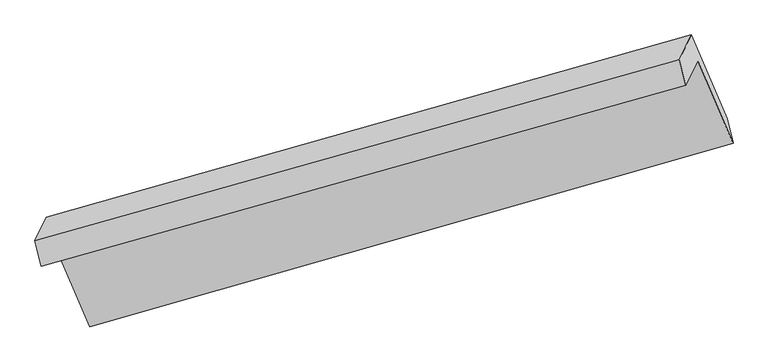
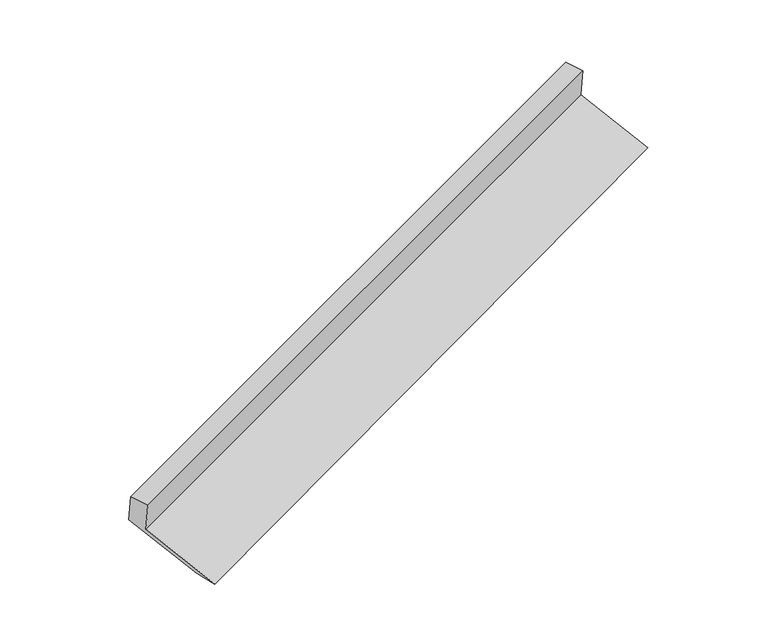
"""IFC4 building model written with IfcOpenShell, lengths in millimetres: proxy geometry."""

from ifc_helpers import new_model, si_unit, frame, origin, place, context, project, spatial, source, transform, mapped, element, save
from ifc_brep_helpers import plane_surface, spline_surface, advanced_brep


def generic_models_14c1a3b7(model_context):
    return source(origin(), model_context, "Body", "AdvancedBrep", [
        advanced_brep(
        [(-5182.8535449, -2134.6014466, 1431.0330659), (-5101.6913481, -1964.4889317, 1084.6976287), (-684.0442653, -723.5673054, 2695.3130341), (-765.2064621, -893.6798204, 3041.6484713), (-5227.8369865, -1959.8556804, 1419.1711717), (-810.1899038, -718.9340542, 3029.7865771), (-5150.3928657, -1797.5360947, 1088.7015134), (-728.6290265, -547.9859219, 2681.7498901), (-4904.7474619, -2370.6797167, 864.7516254), (-482.9836227, -1121.1295439, 2457.8000021), (-4851.9438723, -2547.2035711, 857.0079655), (-441.7118023, -1288.9811233, 2474.3834864)],
        [
            (0, 1),
            (1, 2),
            (2, 3),
            (3, 0),
            (4, 0),
            (3, 5),
            (5, 4),
            (6, 4),
            (5, 7),
            (7, 6),
            (8, 6),
            (7, 9),
            (9, 8),
            (10, 8),
            (9, 11),
            (11, 10),
            (1, 10),
            (11, 2),
        ],
        [
            plane_surface(frame((-5142.2724465, -2049.5451892, 1257.8653473), z_axis=(0.36702290248268193, -0.8660869181105747, -0.33939304549580035), x_axis=(0.20583782286340271, 0.43142732835953973, -0.8783514393586455))),
            plane_surface(frame((-5205.3452657, -2047.2285635, 1425.1021188), z_axis=(-0.33678345473183285, -0.022798869466745544, 0.9413060693366053), x_axis=(0.24875786961893354, -0.9663419014570419, 0.06559612634171755))),
            plane_surface(frame((-5189.1149261, -1878.6958876, 1253.9363426), z_axis=(-0.3670229024826822, 0.8660869181105747, 0.33939304549580035), x_axis=(-0.20583782286340266, -0.4314273283595398, 0.8783514393586456))),
            plane_surface(frame((-5027.5701638, -2084.1079057, 976.7265694), z_axis=(0.19651585361148086, 0.42877174633509346, -0.8817801930323143), x_axis=(-0.37075063932198316, 0.8650410753703227, 0.33800577119998465))),
            spline_surface(1, 1, [[(-4851.9438723, -2547.2035711, 857.0079655), (-441.7118023, -1288.9811233, 2474.3834864)], [(-4904.7474619, -2370.6797167, 864.7516254), (-482.9836227, -1121.1295439, 2457.8000021)]], [2, 2], [2, 2], [0.0, 1.0], [0.0, 1.0]),
            plane_surface(frame((-4976.8176102, -2255.8462514, 970.8527971), z_axis=(-0.20024706316652896, -0.4298393979090962, 0.8804199030566756), x_axis=(0.37075063932198193, -0.8650410753703272, -0.33800577119997477))),
            plane_surface(frame((-652.1275138, -882.3796282, 2730.1135768), z_axis=(0.9056350004947888, 0.2560749856325317, 0.3380101294519184), x_axis=(-0.37075063932198316, 0.8650410753703227, 0.33800577119998465))),
            plane_surface(frame((-5069.9110133, -2129.0609069, 1124.2271618), z_axis=(-0.9056350004947811, -0.25607498563254855, -0.33801012945192666), x_axis=(-0.2058378228634043, -0.4314273283595398, 0.8783514393586452))),
        ],
        [
            (0, [[1, 2, 3, 4]]),
            (1, [[5, -4, 6, 7]]),
            (2, [[8, -7, 9, 10]]),
            (3, [[11, -10, 12, 13]]),
            (4, [[14, -13, 15, 16]]),
            (5, [[17, -16, 18, -2]]),
            (6, [[-12, -9, -6, -3, -18, -15]]),
            (7, [[-1, -5, -8, -11, -14, -17]]),
        ],
    ),
    ])


if __name__ == "__main__":
    model = new_model("IFC4")
    model_context = context("Model", 3, world=origin())
    ifc_project = project(units=[si_unit("LENGTHUNIT", "METRE", prefix="MILLI")], contexts=[model_context])
    site = spatial("IfcSite", under=ifc_project)
    building = spatial("IfcBuilding", under=site)
    placement = place(None, origin())
    generic_models_shape = generic_models_14c1a3b7(model_context)
    element("IfcBuildingElementProxy", 1, Name="Generic Models", at=placement, inside=building, context=model_context, shape_type="MappedRepresentation", body=[
        mapped(generic_models_shape, transform((0.0, 0.0, 0.0), x_axis=(1.0, 0.0, 0.0), y_axis=(0.0, 1.0, 0.0), z_axis=(0.0, 0.0, 1.0))),
    ])
    save(model, "model.ifc")
